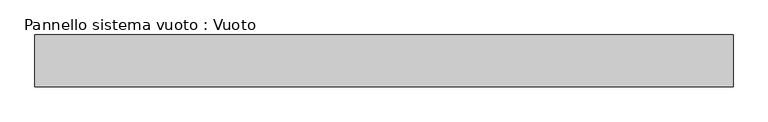
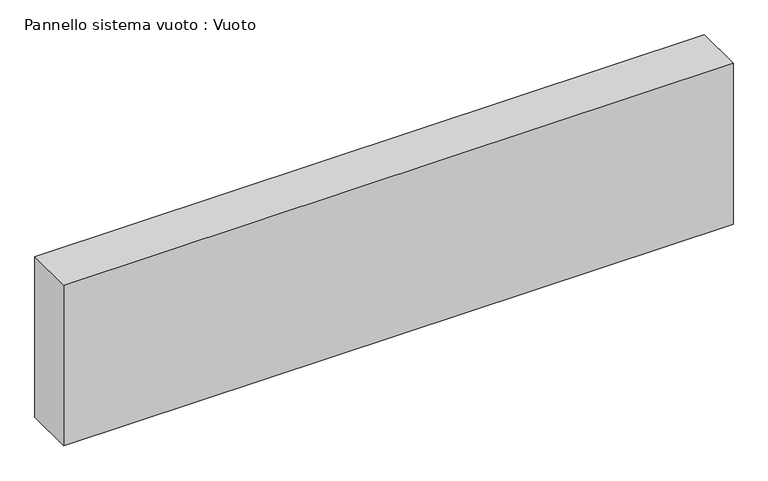
"""IFC4 building model written with IfcOpenShell, lengths in millimetres: plate geometry, Pannello sistema vuoto : Vuoto."""

from ifc_helpers import new_model, si_unit, origin, origin_with_axes, place, context, project, spatial, polyline, outline, extrude, source, transform, mapped, element, save


def pannello_sistema_vuoto_vuoto_94a82fdc(model_context):
    return source(origin(), model_context, "Body", "SweptSolid", [
        extrude(outline(polyline([(675.0, 50.0), (-675.0, 50.0), (-675.0, 150.0), (675.0, 150.0), (675.0, 50.0)])), origin_with_axes(), (0.0, 0.0, 1.0), 342.4474782),
    ])


if __name__ == "__main__":
    model = new_model("IFC4")
    model_context = context("Model", 3, world=origin())
    ifc_project = project(units=[si_unit("LENGTHUNIT", "METRE", prefix="MILLI")], contexts=[model_context])
    site = spatial("IfcSite", under=ifc_project)
    building = spatial("IfcBuilding", under=site)
    placement = place(None, origin())
    pannello_sistema_vuoto_vuoto_shape = pannello_sistema_vuoto_vuoto_94a82fdc(model_context)
    element("IfcPlate", 1, ObjectType="Pannello sistema vuoto : Vuoto", at=placement, inside=building, context=model_context, shape_type="MappedRepresentation", body=[
        mapped(pannello_sistema_vuoto_vuoto_shape, transform((0.0, 0.0, 0.0), x_axis=(1.0, 0.0, 0.0), y_axis=(0.0, 1.0, 0.0), z_axis=(0.0, 0.0, 1.0))),
    ])
    save(model, "model.ifc")
